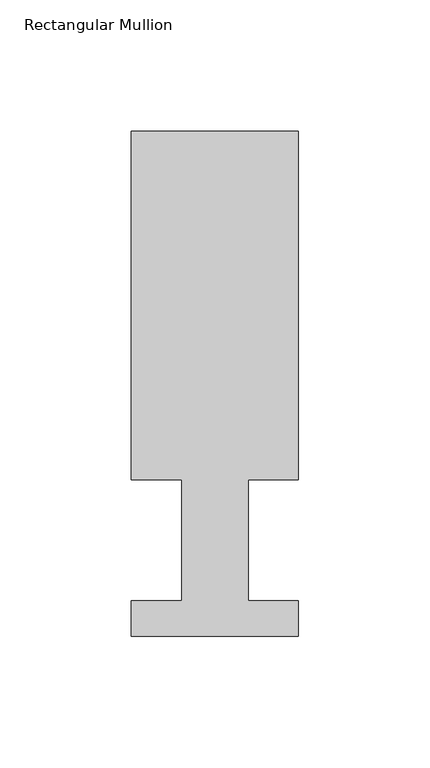
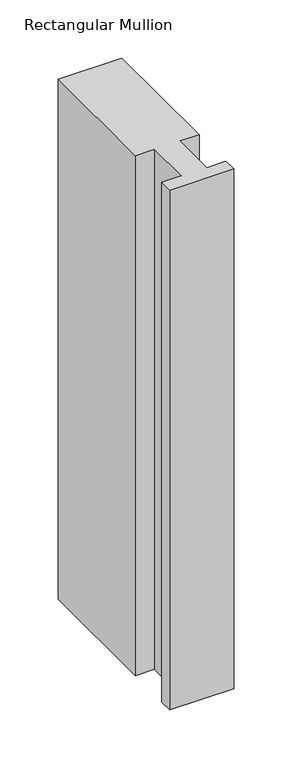
"""IFC4 building model written with IfcOpenShell, lengths in millimetres: member geometry, Rectangular Mullion."""

import ifcopenshell
import ifcopenshell.guid

model = None  # the IFC model being written
_history = None  # IfcOwnerHistory: only IFC2X3 demands one
_inside = {}  # id of a spatial element -> (the spatial element, [elements in it])
_under = {}  # id of a project, library or spatial element -> (it, [spatial elements below it])
_declared = {}  # id of a project -> (the project, [libraries it declares])
_typed = {}  # id of a type object -> (the type object, [elements of that type])
_made_of = {}  # id of a material, layer set ... -> (it, [elements and type objects made of it])


def new_model(schema):
    """Start an empty IFC model of exactly this schema.

    Asked for "IFC4X3", IfcOpenShell would pick the latest addendum, in which some entities
    have other attributes; the version numbers below select the first issue.
    IFC2X3 requires an IfcOwnerHistory on every rooted entity: one is made here for all.
    """
    global model, _history
    if schema == "IFC4X3":
        model = ifcopenshell.file(schema_version=(4, 3, 0, 0))
    else:
        model = ifcopenshell.file(schema=schema)
    _inside.clear()
    _under.clear()
    _declared.clear()
    _typed.clear()
    _made_of.clear()
    _history = None
    if model.schema == "IFC2X3":
        org = make("IfcOrganization", Name="unknown")
        user = make(
            "IfcPersonAndOrganization",
            ThePerson=make("IfcPerson", FamilyName="unknown"),
            TheOrganization=org,
        )
        app = make(
            "IfcApplication",
            ApplicationDeveloper=org,
            Version="unknown",
            ApplicationFullName="unknown",
            ApplicationIdentifier="unknown",
        )
        _history = make(
            "IfcOwnerHistory",
            OwningUser=user,
            OwningApplication=app,
            ChangeAction="ADDED",
            CreationDate=0,
        )
    return model


def make(cls, **values):
    """One entity of the class cls with the attributes given. An attribute that is None is left unset."""
    return model.create_entity(
        cls, **{name: value for name, value in values.items() if value is not None}
    )


def rooted(cls, **values):
    """An entity with a GlobalId (a new one), such as an element, a storey or a relation."""
    return make(cls, GlobalId=ifcopenshell.guid.new(), OwnerHistory=_history, **values)


def si_unit(unit_type, name, prefix=None):
    """IfcSIUnit, for example si_unit("LENGTHUNIT", "METRE", prefix="MILLI")."""
    return make("IfcSIUnit", UnitType=unit_type, Prefix=prefix, Name=name)


def assignment(units):
    """IfcUnitAssignment: the units of a project."""
    return None if units is None else make("IfcUnitAssignment", Units=units)


def point(xyz):
    """IfcCartesianPoint."""
    return None if xyz is None else make("IfcCartesianPoint", Coordinates=xyz)


def direction(xyz):
    """IfcDirection."""
    return None if xyz is None else make("IfcDirection", DirectionRatios=xyz)


def frame(location, z_axis=None, x_axis=None):
    """IfcAxis2Placement3D, a coordinate frame: its origin and axes. An axis left out is left unset."""
    return make(
        "IfcAxis2Placement3D",
        Location=point(location),
        Axis=direction(z_axis),
        RefDirection=direction(x_axis),
    )


def origin():
    """The frame at (0, 0, 0) with its axes left unset."""
    return frame((0.0, 0.0, 0.0))


def place(relative_to, where):
    """IfcLocalPlacement: puts the frame where relative to a parent placement (None: the world)."""
    return make(
        "IfcLocalPlacement", PlacementRelTo=relative_to, RelativePlacement=where
    )


def context(
    kind, dimensions, precision=None, world=None, true_north=None, identifier=None
):
    """IfcGeometricRepresentationContext, for example the 3D "Model" context."""
    return make(
        "IfcGeometricRepresentationContext",
        ContextIdentifier=identifier,
        ContextType=kind,
        CoordinateSpaceDimension=dimensions,
        Precision=precision,
        WorldCoordinateSystem=world,
        TrueNorth=true_north,
    )


def project(units=None, contexts=None):
    """IfcProject with its units and contexts."""
    return rooted(
        "IfcProject",
        Name="project",
        RepresentationContexts=contexts,
        UnitsInContext=assignment(units),
    )


def spatial(cls, under=None, at=None, **own):
    """A site, building, storey or space (cls), placed at a placement, below another one or the project."""
    s = rooted(cls, ObjectPlacement=at, **own)
    if under is not None:
        _under.setdefault(under.id(), (under, []))[1].append(s)
    return s


def polyline(points):
    """IfcPolyline through the points."""
    return make("IfcPolyline", Points=[point(p) for p in points])


def outline(outer, holes=None, kind="AREA"):
    """IfcArbitraryClosedProfileDef: a profile drawn as a closed curve; with holes, ...WithVoids."""
    if holes is None:
        return make("IfcArbitraryClosedProfileDef", ProfileType=kind, OuterCurve=outer)
    return make(
        "IfcArbitraryProfileDefWithVoids",
        ProfileType=kind,
        OuterCurve=outer,
        InnerCurves=holes,
    )


def extrude(swept, where, along, depth):
    """IfcExtrudedAreaSolid: the profile swept, set in the frame where, extruded along a direction by depth."""
    return make(
        "IfcExtrudedAreaSolid",
        SweptArea=swept,
        Position=where,
        ExtrudedDirection=direction(along),
        Depth=depth,
    )


def shape(context_of_items, identifier, shape_type, items):
    """IfcShapeRepresentation: the items that make up one representation, for example the "Body"."""
    return make(
        "IfcShapeRepresentation",
        ContextOfItems=context_of_items,
        RepresentationIdentifier=identifier,
        RepresentationType=shape_type,
        Items=items,
    )


def source(mapping_origin, context_of_items, identifier, shape_type, items):
    """IfcRepresentationMap: a shape defined once, which mapped items show again and again."""
    return make(
        "IfcRepresentationMap",
        MappingOrigin=mapping_origin,
        MappedRepresentation=shape(context_of_items, identifier, shape_type, items),
    )


def transform(
    local_origin,
    x_axis=None,
    y_axis=None,
    z_axis=None,
    scale=None,
    scale2=None,
    scale3=None,
    uniform=True,
):
    """IfcCartesianTransformationOperator3D, or its non-uniform kind. x_axis, y_axis, z_axis: its Axis1, 2, 3."""
    if uniform:
        return make(
            "IfcCartesianTransformationOperator3D",
            Axis1=direction(x_axis),
            Axis2=direction(y_axis),
            LocalOrigin=point(local_origin),
            Scale=scale,
            Axis3=direction(z_axis),
        )
    return make(
        "IfcCartesianTransformationOperator3DnonUniform",
        Axis1=direction(x_axis),
        Axis2=direction(y_axis),
        LocalOrigin=point(local_origin),
        Scale=scale,
        Axis3=direction(z_axis),
        Scale2=scale2,
        Scale3=scale3,
    )


def mapped(mapping_source, mapping_target):
    """IfcMappedItem: shows the shape of a source again, moved by a transform."""
    return make(
        "IfcMappedItem", MappingSource=mapping_source, MappingTarget=mapping_target
    )


def made_of(thing, what):
    """Note that an element or type object is made of a material, layer set ...; save() writes the relation."""
    if what is not None:
        _made_of.setdefault(what.id(), (what, []))[1].append(thing)
    return thing


def element(
    cls,
    number,
    at=None,
    inside=None,
    cuts=None,
    type_object=None,
    material=None,
    context=None,
    identifier="Body",
    shape_type=None,
    held_by="IfcProductDefinitionShape",
    body=None,
    shapes=None,
    **own,
):
    """One element of the class cls, such as IfcWall. Its Tag is "e" and its number.

    at: its placement. inside: the storey or other place that contains it. cuts: it is an
    opening in that element (IfcRelVoidsElement). A single representation is given by context,
    identifier, shape_type and body (its items); several are given by shapes. held_by: the class
    of the entity that holds the representations. save() writes the other relations.
    """
    e = rooted(cls, Tag="e%d" % number, ObjectPlacement=at, **own)
    if body is not None:
        shapes = [shape(context, identifier, shape_type, body)]
    if shapes is not None:
        e.Representation = make(held_by, Representations=shapes)
    if inside is not None:
        _inside.setdefault(inside.id(), (inside, []))[1].append(e)
    if cuts is not None:
        rooted(
            "IfcRelVoidsElement", RelatingBuildingElement=cuts, RelatedOpeningElement=e
        )
    if type_object is not None:
        _typed.setdefault(type_object.id(), (type_object, []))[1].append(e)
    return made_of(e, material)


def aggregate(whole, parts):
    """IfcRelAggregates: a whole, such as a stair, and the parts it consists of."""
    return rooted("IfcRelAggregates", RelatingObject=whole, RelatedObjects=parts)


def save(model, path):
    """Write the relations noted so far, then the file.

    IfcRelAggregates (storeys below a building ...), IfcRelContainedInSpatialStructure (elements
    in a storey), IfcRelDefinesByType, IfcRelAssociatesMaterial and IfcRelDeclares: one each for
    every whole, place, type object, material and project.
    """
    for whole, parts in _under.values():
        aggregate(whole, parts)
    for where, things in _inside.values():
        rooted(
            "IfcRelContainedInSpatialStructure",
            RelatedElements=things,
            RelatingStructure=where,
        )
    for kind, things in _typed.values():
        rooted("IfcRelDefinesByType", RelatedObjects=things, RelatingType=kind)
    for what, things in _made_of.values():
        rooted("IfcRelAssociatesMaterial", RelatedObjects=things, RelatingMaterial=what)
    for by, libraries in _declared.values():
        rooted("IfcRelDeclares", RelatingContext=by, RelatedDefinitions=libraries)
    model.write(path)


def rectangular_mullion_21dfddcb(model_context):
    return source(origin(), model_context, "Body", "SweptSolid", [
        extrude(outline(polyline([(-63.5, 192.09385), (0.0, 192.09385), (0.0, 59.53125), (-19.0373, 59.53125), (-19.0373, 13.50645), (0.0, 13.50645), (0.0, 0.04445), (-63.5, 0.04445), (-63.5, 13.50645), (-44.45, 13.50645), (-44.45, 59.53125), (-63.5, 59.53125), (-63.5, 192.09385)])), frame((0.0, 0.0, -546.1), z_axis=(0.0, 0.0, 1.0), x_axis=(1.0, 0.0, 0.0)), (0.0, 0.0, 1.0), 546.1),
    ])


if __name__ == "__main__":
    model = new_model("IFC4")
    model_context = context("Model", 3, world=origin())
    ifc_project = project(units=[si_unit("LENGTHUNIT", "METRE", prefix="MILLI")], contexts=[model_context])
    site = spatial("IfcSite", under=ifc_project)
    building = spatial("IfcBuilding", under=site)
    placement = place(None, origin())
    rectangular_mullion_shape = rectangular_mullion_21dfddcb(model_context)
    element("IfcMember", 1, ObjectType="Rectangular Mullion", at=placement, inside=building, context=model_context, shape_type="MappedRepresentation", body=[
        mapped(rectangular_mullion_shape, transform((0.0, 0.0, 0.0), x_axis=(1.0, 0.0, 0.0), y_axis=(0.0, 1.0, 0.0), z_axis=(0.0, 0.0, 1.0))),
    ])
    save(model, "model.ifc")
